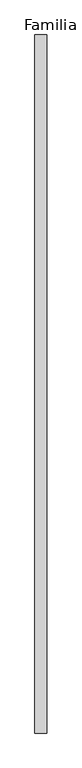
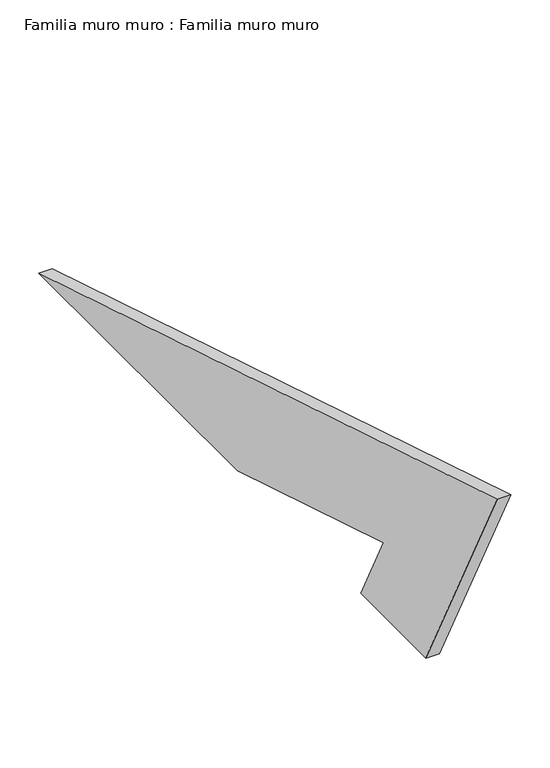
"""IFC4 building model written with IfcOpenShell, lengths in millimetres: plate geometry, Familia muro muro : Familia muro muro."""

from ifc_helpers import new_model, si_unit, frame, origin, place, context, project, spatial, polyline, outline, extrude, source, transform, mapped, element, save


def familia_muro_muro_familia_muro_muro_e400410f(model_context):
    return source(origin(), model_context, "Body", "SweptSolid", [
        extrude(outline(polyline([(-1184.5219412, 362.1447003), (0.0, 0.0), (-513.045543, 0.0), (-890.4407736, 115.381301), (-831.6510644, 0.0), (-1000.0, 0.0), (-1184.5219412, 362.1447003)])), frame((0.0, 0.0, 0.0), z_axis=(1.0, 0.0, 0.0), x_axis=(0.0, 1.0, 0.0)), (0.0, 0.0, 1.0), 20.0),
    ])


if __name__ == "__main__":
    model = new_model("IFC4")
    model_context = context("Model", 3, world=origin())
    ifc_project = project(units=[si_unit("LENGTHUNIT", "METRE", prefix="MILLI")], contexts=[model_context])
    site = spatial("IfcSite", under=ifc_project)
    building = spatial("IfcBuilding", under=site)
    placement = place(None, origin())
    familia_muro_muro_familia_muro_muro_shape = familia_muro_muro_familia_muro_muro_e400410f(model_context)
    element("IfcPlate", 1, ObjectType="Familia muro muro : Familia muro muro", at=placement, inside=building, context=model_context, shape_type="MappedRepresentation", body=[
        mapped(familia_muro_muro_familia_muro_muro_shape, transform((0.0, 0.0, 0.0), x_axis=(1.0, 0.0, 0.0), y_axis=(0.0, 1.0, 0.0), z_axis=(0.0, 0.0, 1.0))),
    ])
    save(model, "model.ifc")
